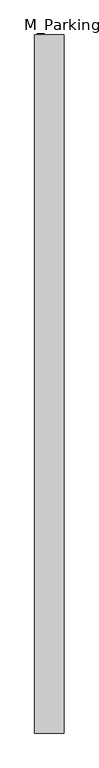
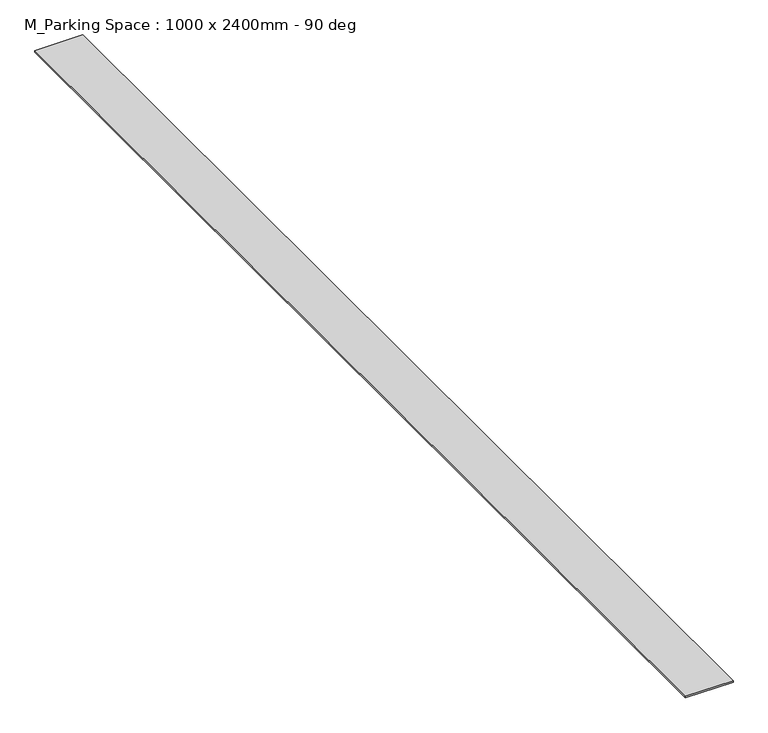
"""IFC4 building model written with IfcOpenShell, lengths in millimetres: proxy geometry, M_Parking Space : 1000 x 2400mm - 90 deg."""

from ifc_helpers import new_model, si_unit, origin, origin_with_axes, place, context, project, spatial, polyline, outline, extrude, source, transform, mapped, element, save


def m_parking_space_1000_x_2400mm_90_deg_8cdbb79b(model_context):
    return source(origin(), model_context, "Body", "SweptSolid", [
        extrude(outline(polyline([(-50.8, 0.0), (50.8, 0.0), (50.8, -2400.0), (-50.8, -2400.0), (-50.8, 0.0)])), origin_with_axes(), (0.0, 0.0, 1.0), 3.175),
    ])


if __name__ == "__main__":
    model = new_model("IFC4")
    model_context = context("Model", 3, world=origin())
    ifc_project = project(units=[si_unit("LENGTHUNIT", "METRE", prefix="MILLI")], contexts=[model_context])
    site = spatial("IfcSite", under=ifc_project)
    building = spatial("IfcBuilding", under=site)
    placement = place(None, origin())
    m_parking_space_1000_x_2400mm_90_deg_shape = m_parking_space_1000_x_2400mm_90_deg_8cdbb79b(model_context)
    element("IfcBuildingElementProxy", 1, Name="M_Parking Space : 1000 x 2400mm - 90 deg", ObjectType="M_Parking Space : 1000 x 2400mm - 90 deg", at=placement, inside=building, context=model_context, shape_type="MappedRepresentation", body=[
        mapped(m_parking_space_1000_x_2400mm_90_deg_shape, transform((0.0, 0.0, 0.0), x_axis=(1.0, 0.0, 0.0), y_axis=(0.0, 1.0, 0.0), z_axis=(0.0, 0.0, 1.0))),
    ])
    save(model, "model.ifc")
